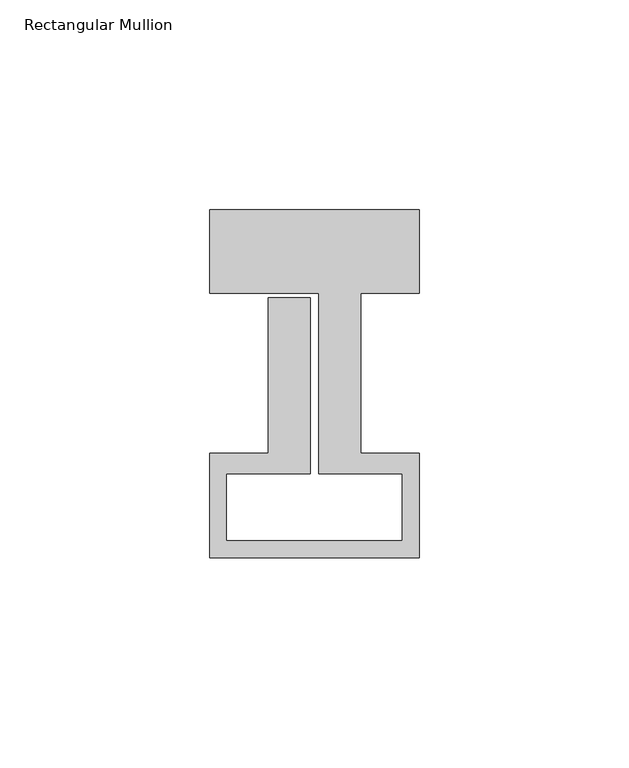
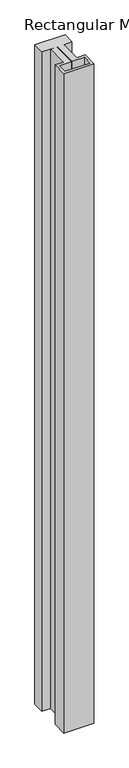
"""IFC4 building model written with IfcOpenShell, lengths in millimetres: member geometry, Rectangular Mullion."""

from ifc_helpers import new_model, si_unit, frame, origin, place, context, project, spatial, polyline, outline, extrude, source, transform, mapped, element, save


def rectangular_mullion_c477931e(model_context):
    return source(origin(), model_context, "Body", "SweptSolid", [
        extrude(outline(polyline([(25.0, 58.0), (25.0, 38.0), (11.0, 38.0), (11.0, -0.1), (25.0, -0.1), (25.0, -25.0), (-25.0, -25.0), (-25.0, -0.1), (-11.0, -0.1), (-11.0, 37.0), (-1.0, 37.0), (-1.0, -5.0), (-21.0, -5.0), (-21.0, -21.0), (21.0, -21.0), (21.0, -5.0), (1.0, -5.0), (1.0, 38.0), (-25.0, 38.0), (-25.0, 58.0), (25.0, 58.0)])), frame((0.0, 0.0, -1157.0), z_axis=(0.0, 0.0, 1.0), x_axis=(1.0, 0.0, 0.0)), (0.0, 0.0, 1.0), 1157.0),
    ])


if __name__ == "__main__":
    model = new_model("IFC4")
    model_context = context("Model", 3, world=origin())
    ifc_project = project(units=[si_unit("LENGTHUNIT", "METRE", prefix="MILLI")], contexts=[model_context])
    site = spatial("IfcSite", under=ifc_project)
    building = spatial("IfcBuilding", under=site)
    placement = place(None, origin())
    rectangular_mullion_shape = rectangular_mullion_c477931e(model_context)
    element("IfcMember", 1, ObjectType="Rectangular Mullion", at=placement, inside=building, context=model_context, shape_type="MappedRepresentation", body=[
        mapped(rectangular_mullion_shape, transform((0.0, 0.0, 0.0), x_axis=(1.0, 0.0, 0.0), y_axis=(0.0, 1.0, 0.0), z_axis=(0.0, 0.0, 1.0))),
    ])
    save(model, "model.ifc")
